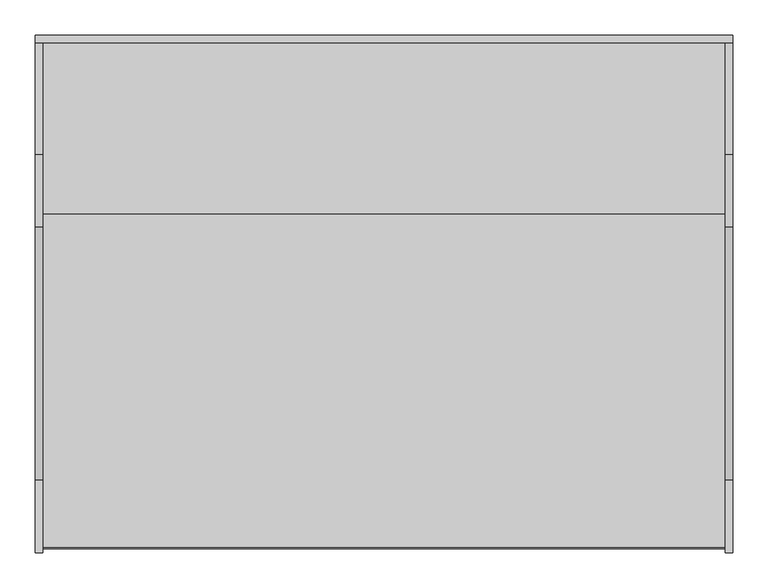
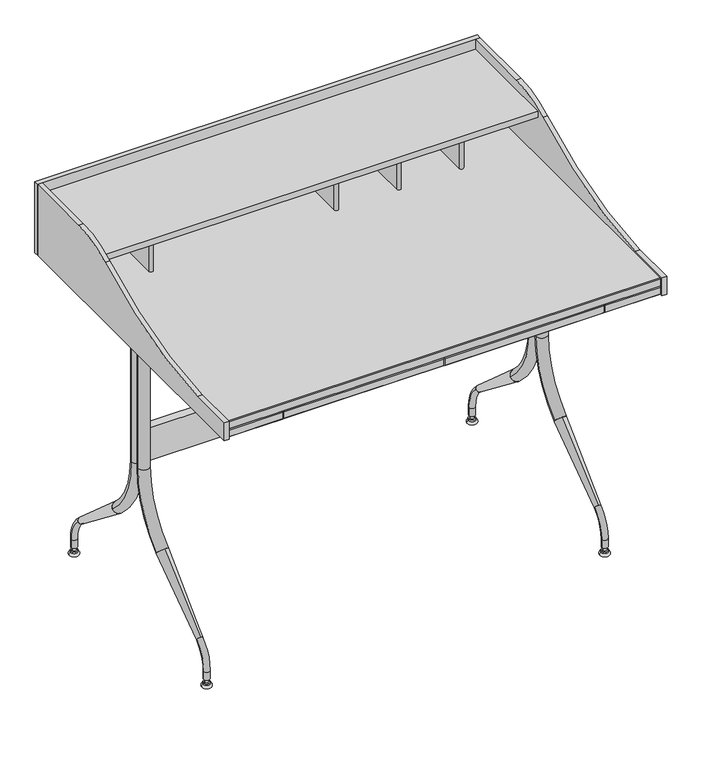
"""IFC4 building model written with IfcOpenShell, lengths in millimetres: furniture geometry."""

from ifc_helpers import new_model, si_unit, point, frame, frame_2d, origin, place, context, project, spatial, polyline, circle_curve, ellipse_curve, trimmed, segment, composite_curve, outline, extrude, source, transform, mapped, element, save
from ifc_brep_helpers import plane_surface, cylinder_surface, revolved_surface, advanced_brep


def furniture_873749e8(model_context):
    return source(origin(), model_context, "Body", "SolidModel", [
        extrude(outline(polyline([(-494.0424823, 311.3259461), (-494.0424823, 322.1209268), (494.0429183, 322.1209268), (494.0429183, 311.3259461), (-494.0424823, 311.3259461)])), frame((0.0, 0.0, 689.6100145), z_axis=(0.0, 0.0, 1.0), x_axis=(1.0, 0.0, 0.0)), (0.0, 0.0, 1.0), 167.6399855),
        extrude(outline(polyline([(-405.2715563, 707.0724661), (-403.6840805, 708.6600145), (-370.3338674, 708.6600145), (-370.3338674, 689.6100145), (-403.6840805, 689.6100145), (-405.2715563, 691.1974903), (-405.2715563, 707.0724661)])), frame((360.3627422, 0.0, 0.0), z_axis=(1.0, 0.0, 0.0), x_axis=(0.0, 1.0, 0.0)), (0.0, 0.0, 1.0), 123.139177),
        extrude(outline(polyline([(-403.6840805, 708.6600145), (-370.3338674, 708.6600145), (-370.3338674, 689.6100145), (-403.6840805, 689.6100145), (-405.2715563, 691.1974903), (-405.2715563, 707.0724661), (-403.6840805, 708.6600145)])), frame((-483.5014832, 0.0, 0.0), z_axis=(1.0, 0.0, 0.0), x_axis=(0.0, 1.0, 0.0)), (0.0, 0.0, 1.0), 123.1392134),
        extrude(outline(polyline([(-405.2715563, 707.0724661), (-403.6840805, 708.6600145), (-370.3338674, 708.6600145), (-370.3338674, 689.6100145), (-403.6840805, 689.6100145), (-405.2715563, 691.1974903), (-405.2715563, 707.0724661)])), frame((-357.1872754, 0.0, 0.0), z_axis=(1.0, 0.0, 0.0), x_axis=(0.0, 1.0, 0.0)), (0.0, 0.0, 1.0), 355.6),
        extrude(outline(polyline([(-405.2715563, 707.0724661), (-403.6840805, 708.6600145), (-370.3338674, 708.6600145), (-370.3338674, 689.6100145), (-403.6840805, 689.6100145), (-405.2715563, 691.1974903), (-405.2715563, 707.0724661)])), frame((1.5877246, 0.0, 0.0), z_axis=(1.0, 0.0, 0.0), x_axis=(0.0, 1.0, 0.0)), (0.0, 0.0, 1.0), 355.5999934),
        extrude(outline(polyline([(-403.6840805, 727.7100145), (311.3259461, 727.7100145), (311.3259461, 708.6600145), (-403.6840805, 708.6600145), (-405.2715563, 710.2474903), (-405.2715563, 726.1224661), (-403.6840805, 727.7100145)])), frame((-483.5014832, 0.0, 0.0), z_axis=(1.0, 0.0, 0.0), x_axis=(0.0, 1.0, 0.0)), (0.0, 0.0, 1.0), 967.0034025),
        extrude(outline(composite_curve([segment(polyline([(-353.1740822, 311.3259461), (-353.1740822, 109.3197353)]), True, "CONTINUOUS"), segment(trimmed(circle_curve(frame_2d((-357.9365822, 109.3197353)), 4.7625), [point((-353.1740822, 109.3197353))], [point((-362.6990822, 109.3197353))], False, "CARTESIAN"), True, "CONTINUOUS"), segment(polyline([(-362.6990822, 109.3197353), (-362.6990822, 311.3259461), (-353.1740822, 311.3259461)]), True, "CONTINUOUS")], self_intersect=False)), frame((0.0, 0.0, 727.7100145), z_axis=(0.0, 0.0, 1.0), x_axis=(1.0, 0.0, 0.0)), (0.0, 0.0, 1.0), 92.0749758),
        extrude(outline(composite_curve([segment(polyline([(51.3209227, 109.3197353), (51.3209227, 311.3259461), (60.8459227, 311.3259461), (60.8459227, 109.3197353)]), True, "CONTINUOUS"), segment(trimmed(circle_curve(frame_2d((56.0834227, 109.3197353)), 4.7625), [point((60.8459227, 109.3197353))], [point((51.3209227, 109.3197353))], False, "CARTESIAN"), True, "CONTINUOUS")], self_intersect=False)), frame((0.0, 0.0, 727.7100145), z_axis=(0.0, 0.0, 1.0), x_axis=(1.0, 0.0, 0.0)), (0.0, 0.0, 1.0), 92.0749758),
        extrude(outline(composite_curve([segment(polyline([(191.0209166, 311.3259461), (200.5459166, 311.3259461), (200.5459166, 109.3197353)]), True, "CONTINUOUS"), segment(trimmed(circle_curve(frame_2d((195.7834166, 109.3197353)), 4.7625), [point((200.5459166, 109.3197353))], [point((191.0209166, 109.3197353))], False, "CARTESIAN"), True, "CONTINUOUS"), segment(polyline([(191.0209166, 109.3197353), (191.0209166, 311.3259461)]), True, "CONTINUOUS")], self_intersect=False)), frame((0.0, 0.0, 727.7100145), z_axis=(0.0, 0.0, 1.0), x_axis=(1.0, 0.0, 0.0)), (0.0, 0.0, 1.0), 92.0749758),
        extrude(outline(composite_curve([segment(polyline([(340.2459105, 311.3259461), (340.2459105, 109.3197353)]), True, "CONTINUOUS"), segment(trimmed(circle_curve(frame_2d((335.4834105, 109.3197353)), 4.7625), [point((340.2459105, 109.3197353))], [point((330.7209105, 109.3197353))], False, "CARTESIAN"), True, "CONTINUOUS"), segment(polyline([(330.7209105, 109.3197353), (330.7209105, 311.3259461), (340.2459105, 311.3259461)]), True, "CONTINUOUS")], self_intersect=False)), frame((0.0, 0.0, 727.7100145), z_axis=(0.0, 0.0, 1.0), x_axis=(1.0, 0.0, 0.0)), (0.0, 0.0, 1.0), 92.0749758),
        extrude(outline(polyline([(483.5019193, 69.5179315), (-483.5014832, 69.5179315), (-483.5014832, 311.3259461), (483.5019193, 311.3259461), (483.5019193, 69.5179315)])), frame((0.0, 0.0, 819.7849903), z_axis=(0.0, 0.0, 1.0), x_axis=(1.0, 0.0, 0.0)), (0.0, 0.0, 1.0), 14.2239864),
        extrude(outline(composite_curve([segment(polyline([(152.575934, 857.25), (311.3259461, 857.25), (311.3259461, 689.6100145), (-410.6690829, 689.6100145), (-410.6690829, 732.6121862), (-307.4180815, 732.6121862)]), True, "CONTINUOUS"), segment(trimmed(circle_curve(frame_2d((-338.6674758, 1545.2726089)), 813.2610203), [point((-307.4180815, 732.6121862))], [point((50.6941032, 831.2760767))], True, "CARTESIAN"), True, "CONTINUOUS"), segment(trimmed(circle_curve(frame_2d((152.575934, 644.44903)), 212.80097), [point((50.6941032, 831.2760767))], [point((152.575934, 857.25))], False, "CARTESIAN"), True, "CONTINUOUS")], self_intersect=False)), frame((483.5019193, 0.0, 0.0), z_axis=(1.0, 0.0, 0.0), x_axis=(0.0, 1.0, 0.0)), (0.0, 0.0, 1.0), 10.540999),
        extrude(outline(composite_curve([segment(polyline([(152.575934, 857.25), (311.3259461, 857.25), (311.3259461, 689.6100145), (-410.6690829, 689.6100145), (-410.6690829, 732.6121862), (-307.4180815, 732.6121862)]), True, "CONTINUOUS"), segment(trimmed(circle_curve(frame_2d((-338.6674758, 1545.2726089)), 813.2610203), [point((-307.4180815, 732.6121862))], [point((50.6941032, 831.2760767))], True, "CARTESIAN"), True, "CONTINUOUS"), segment(trimmed(circle_curve(frame_2d((152.575934, 644.44903)), 212.80097), [point((50.6941032, 831.2760767))], [point((152.575934, 857.25))], False, "CARTESIAN"), True, "CONTINUOUS")], self_intersect=False)), frame((-494.0424823, 0.0, 0.0), z_axis=(1.0, 0.0, 0.0), x_axis=(0.0, 1.0, 0.0)), (0.0, 0.0, 1.0), 10.540999),
        advanced_brep(
        [(431.8, 12.7001355, 703.2751688), (457.2, 12.7001355, 703.2751688), (431.8, 12.7001355, 370.890806), (457.2, 12.7001355, 370.890806), (431.8, 85.2856918, 215.2305762), (457.2, 85.2856918, 215.2305762)],
        [
            (0, 1, circle_curve(frame((444.5, 12.7001355, 703.2751688), z_axis=(0.0, 0.0, 1.0), x_axis=(1.0, 0.0, 0.0)), 12.7)),
            (1, 0, circle_curve(frame((444.5, 12.7001355, 703.2751688), z_axis=(0.0, 0.0, 1.0), x_axis=(1.0, 0.0, 0.0)), 12.7)),
            (0, 2),
            (2, 3, circle_curve(frame((444.5, 12.7001355, 370.890806), z_axis=(0.0, 0.0, 1.0), x_axis=(1.0, 0.0, 0.0)), 12.7)),
            (3, 1),
            (3, 2, circle_curve(frame((444.5, 12.7001355, 370.890806), z_axis=(0.0, 0.0, 1.0), x_axis=(1.0, 0.0, 0.0)), 12.7)),
            (4, 5, circle_curve(frame((444.5, 85.2856918, 215.2305762), z_axis=(0.0, 0.7660444368154214, -0.6427876171988255), x_axis=(1.0, 0.0, 0.0)), 12.7)),
            (5, 4, circle_curve(frame((444.5, 85.2856918, 215.2305762), z_axis=(0.0, 0.7660444368154214, -0.6427876171988255), x_axis=(1.0, 0.0, 0.0)), 12.7)),
            (5, 3, circle_curve(frame((457.2, 215.9001358, 370.890806), z_axis=(-1.0, 0.0, 0.0), x_axis=(0.0, -1.0, 0.0)), 203.2000003)),
            (2, 4, circle_curve(frame((431.8, 215.9001358, 370.890806), z_axis=(1.0, 0.0, 0.0), x_axis=(0.0, -1.0, 0.0)), 203.2000003)),
        ],
        [
            plane_surface(frame((444.5, 12.7001355, 703.2751688), z_axis=(0.0, 0.0, 1.0), x_axis=(1.0, 0.0, 0.0))),
            cylinder_surface(frame((444.5, 12.7001355, 703.2751688), z_axis=(0.0, 0.0, 1.0), x_axis=(1.0, 0.0, 0.0)), 12.7),
            plane_surface(frame((444.5, 85.2856918, 215.2305762), z_axis=(0.0, 0.7660444368154214, -0.6427876171988255), x_axis=(1.0, 0.0, 0.0))),
            revolved_surface(trimmed(ellipse_curve(frame((444.5, 12.7001355, 370.890806), z_axis=(0.0, 0.0, 1.0), x_axis=(1.0, 0.0, 0.0)), 12.7, 12.7), [point((431.8, 12.7001355, 370.890806))], [point((457.2, 12.7001355, 370.890806))], True, "CARTESIAN"), (444.5, 215.9001358, 370.890806), (1.0, 0.0, 0.0)),
            revolved_surface(trimmed(ellipse_curve(frame((444.5, 12.7001355, 370.890806), z_axis=(0.0, 0.0, 1.0), x_axis=(1.0, 0.0, 0.0)), 12.7, 12.7), [point((457.2, 12.7001355, 370.890806))], [point((431.8, 12.7001355, 370.890806))], True, "CARTESIAN"), (444.5, 215.9001358, 370.890806), (1.0, 0.0, 0.0)),
        ],
        [
            (0, [[1, 2]]),
            (1, [[-1, 3, 4, 5]]),
            (1, [[-2, -5, 6, -3]]),
            (2, [[7, 8]]),
            (3, [[9, -4, 10, -8]]),
            (4, [[-10, -6, -9, -7]]),
        ],
    ),
        advanced_brep(
        [(437.769, 229.3205592, 96.0153875), (451.231, 229.3205592, 96.0153875), (451.231, 256.5401369, 37.6427991), (437.769, 256.5401369, 37.6427991), (437.769, 256.5401369, 18.5928002), (451.231, 256.5401369, 18.5928002)],
        [
            (0, 1, circle_curve(frame((444.5, 229.3205592, 96.0153875), z_axis=(0.0, -0.7660443098202268, 0.6427877685457716), x_axis=(1.0, 0.0, 0.0)), 6.731)),
            (1, 0, circle_curve(frame((444.5, 229.3205592, 96.0153875), z_axis=(0.0, -0.7660443098202268, 0.6427877685457716), x_axis=(1.0, 0.0, 0.0)), 6.731)),
            (2, 1, circle_curve(frame((451.231, 180.3401212, 37.6427991), z_axis=(1.0, 0.0, 0.0), x_axis=(0.0, 0.6427877685457716, 0.7660443098202268)), 76.2000157)),
            (0, 3, circle_curve(frame((437.769, 180.3401212, 37.6427991), z_axis=(-1.0, 0.0, 0.0), x_axis=(0.0, 0.6427877685457716, 0.7660443098202268)), 76.2000157)),
            (3, 2, circle_curve(frame((444.5, 256.5401369, 37.6427991), z_axis=(0.0, 0.0, 1.0), x_axis=(1.0, 0.0, 0.0)), 6.731)),
            (2, 3, circle_curve(frame((444.5, 256.5401369, 37.6427991), z_axis=(0.0, 0.0, 1.0), x_axis=(1.0, 0.0, 0.0)), 6.731)),
            (4, 5, circle_curve(frame((444.5, 256.5401369, 18.5928002), z_axis=(0.0, 0.0, -1.0), x_axis=(1.0, 0.0, 0.0)), 6.731)),
            (5, 4, circle_curve(frame((444.5, 256.5401369, 18.5928002), z_axis=(0.0, 0.0, -1.0), x_axis=(1.0, 0.0, 0.0)), 6.731)),
            (3, 4),
            (5, 2),
        ],
        [
            plane_surface(frame((444.5, 229.3205592, 96.0153875), z_axis=(0.0, -0.7660443098202268, 0.6427877685457716), x_axis=(1.0, 0.0, 0.0))),
            revolved_surface(trimmed(ellipse_curve(frame((444.5, 229.3205592, 96.0153875), z_axis=(0.0, -0.7660443098202268, 0.6427877685457716), x_axis=(1.0, 0.0, 0.0)), 6.731, 6.731), [point((437.769, 229.3205592, 96.0153875))], [point((451.231, 229.3205592, 96.0153875))], True, "CARTESIAN"), (444.5, 180.3401212, 37.6427991), (-1.0, 0.0, 0.0)),
            revolved_surface(trimmed(ellipse_curve(frame((444.5, 229.3205592, 96.0153875), z_axis=(0.0, -0.7660443098202268, 0.6427877685457716), x_axis=(1.0, 0.0, 0.0)), 6.731, 6.731), [point((451.231, 229.3205592, 96.0153875))], [point((437.769, 229.3205592, 96.0153875))], True, "CARTESIAN"), (444.5, 180.3401212, 37.6427991), (-1.0, 0.0, 0.0)),
            plane_surface(frame((444.5, 256.5401369, 18.5928002), z_axis=(0.0, 0.0, -1.0), x_axis=(1.0, 0.0, 0.0))),
            cylinder_surface(frame((444.5, 256.5401369, 37.6427991), z_axis=(0.0, 0.0, 1.0), x_axis=(1.0, 0.0, 0.0)), 6.731),
        ],
        [
            (0, [[1, 2]]),
            (1, [[3, -1, 4, 5]]),
            (2, [[-4, -2, -3, 6]]),
            (3, [[7, 8]]),
            (4, [[-5, 9, -8, 10]]),
            (4, [[-6, -10, -7, -9]]),
        ],
    ),
        advanced_brep(
        [(444.5, 225.0288034, 90.8301214), (444.5, 233.612315, 101.2006536), (444.5, 77.1880284, 205.4470421), (444.5, 93.3833552, 225.0141104)],
        [
            (0, 1, circle_curve(frame((444.5, 229.3205592, 96.0153875), z_axis=(0.0, 0.7703577539789042, -0.6376118967558388), x_axis=(0.0, -0.6376118967558415, -0.7703577539789019)), 6.7309845)),
            (1, 0, circle_curve(frame((444.5, 229.3205592, 96.0153875), z_axis=(0.0, 0.7703577539789042, -0.6376118967558388), x_axis=(0.0, 0.637611896755836, 0.7703577539789064)), 6.7309845)),
            (2, 3, circle_curve(frame((444.5, 85.2856918, 215.2305762), z_axis=(0.0, -0.7703577539789042, 0.6376118967558388), x_axis=(0.0, 0.637611896755836, 0.7703577539789064)), 12.6999879)),
            (3, 2, circle_curve(frame((444.5, 85.2856918, 215.2305762), z_axis=(0.0, -0.7703577539789042, 0.6376118967558388), x_axis=(0.0, -0.6376118967558415, -0.7703577539789019)), 12.6999879)),
            (3, 1),
            (0, 2),
        ],
        [
            plane_surface(frame((444.5, 229.3205592, 96.0153875), z_axis=(0.0, 0.770357753978904, -0.6376118967558388), x_axis=(-1.0, 0.0, 0.0))),
            plane_surface(frame((444.5, 85.2856918, 215.2305762), z_axis=(0.0, -0.770357753978904, 0.6376118967558388), x_axis=(-1.0, 0.0, 0.0))),
            revolved_surface(polyline([(444.5, 225.02880342247573, 90.83012140987435), (444.5, 77.18802840000001, 205.4470421)]), (444.5, 391.7423902, -38.4183755), (0.0, -0.7703577539789039, 0.6376118967558387)),
            revolved_surface(polyline([(444.5, 233.61231502496688, 101.2006536301648), (444.5, 93.38335516558368, 225.0141104303875)]), (444.5, 391.7423902, -38.4183755), (0.0, -0.7703577539789039, 0.6376118967558387)),
        ],
        [
            (0, [[1, 2]]),
            (1, [[3, 4]]),
            (2, [[-4, 5, -1, 6]]),
            (3, [[-3, -6, -2, -5]]),
        ],
    ),
        advanced_brep(
        [(431.8, -12.7001355, 703.2751688), (457.2, -12.7001355, 703.2751688), (457.2, -12.7001355, 370.890806), (431.8, -12.7001355, 370.890806), (431.8, -85.2856918, 215.2305762), (457.2, -85.2856918, 215.2305762)],
        [
            (0, 1, circle_curve(frame((444.5, -12.7001355, 703.2751688), z_axis=(0.0, 0.0, 1.0), x_axis=(1.0, 0.0, 0.0)), 12.7)),
            (1, 0, circle_curve(frame((444.5, -12.7001355, 703.2751688), z_axis=(0.0, 0.0, 1.0), x_axis=(1.0, 0.0, 0.0)), 12.7)),
            (1, 2),
            (2, 3, circle_curve(frame((444.5, -12.7001355, 370.890806), z_axis=(0.0, 0.0, 1.0), x_axis=(1.0, 0.0, 0.0)), 12.7)),
            (3, 0),
            (3, 2, circle_curve(frame((444.5, -12.7001355, 370.890806), z_axis=(0.0, 0.0, 1.0), x_axis=(1.0, 0.0, 0.0)), 12.7)),
            (4, 5, circle_curve(frame((444.5, -85.2856918, 215.2305762), z_axis=(0.0, -0.7660444368154214, -0.6427876171988256), x_axis=(1.0, 0.0, 0.0)), 12.7)),
            (5, 4, circle_curve(frame((444.5, -85.2856918, 215.2305762), z_axis=(0.0, -0.7660444368154214, -0.6427876171988256), x_axis=(1.0, 0.0, 0.0)), 12.7)),
            (4, 3, circle_curve(frame((431.8, -215.9001358, 370.890806), z_axis=(1.0, 0.0, 0.0), x_axis=(0.0, 1.0, 0.0)), 203.2000003)),
            (2, 5, circle_curve(frame((457.2, -215.9001358, 370.890806), z_axis=(-1.0, 0.0, 0.0), x_axis=(0.0, 1.0, 0.0)), 203.2000003)),
        ],
        [
            plane_surface(frame((444.5, -12.7001355, 703.2751688), z_axis=(0.0, 0.0, 1.0), x_axis=(1.0, 0.0, 0.0))),
            cylinder_surface(frame((444.5, -12.7001355, 703.2751688), z_axis=(0.0, 0.0, 1.0), x_axis=(1.0, 0.0, 0.0)), 12.7),
            plane_surface(frame((444.5, -85.2856918, 215.2305762), z_axis=(0.0, -0.7660444368154213, -0.6427876171988256), x_axis=(1.0, 0.0, 0.0))),
            revolved_surface(trimmed(ellipse_curve(frame((444.5, -12.7001355, 370.890806), z_axis=(0.0, 0.0, 1.0), x_axis=(1.0, 0.0, 0.0)), 12.7, 12.7), [point((457.2, -12.7001355, 370.890806))], [point((431.8, -12.7001355, 370.890806))], True, "CARTESIAN"), (444.5, -215.9001358, 370.890806), (-1.0, 0.0, 0.0)),
            revolved_surface(trimmed(ellipse_curve(frame((444.5, -12.7001355, 370.890806), z_axis=(0.0, 0.0, 1.0), x_axis=(1.0, 0.0, 0.0)), 12.7, 12.7), [point((431.8, -12.7001355, 370.890806))], [point((457.2, -12.7001355, 370.890806))], True, "CARTESIAN"), (444.5, -215.9001358, 370.890806), (-1.0, 0.0, 0.0)),
        ],
        [
            (0, [[1, 2]]),
            (1, [[-2, 3, 4, 5]]),
            (1, [[-1, -5, 6, -3]]),
            (2, [[7, 8]]),
            (3, [[9, -4, 10, -7]]),
            (4, [[-10, -6, -9, -8]]),
        ],
    ),
        advanced_brep(
        [(437.769, -229.3205592, 96.0153875), (451.231, -229.3205592, 96.0153875), (437.769, -256.5401369, 37.6427991), (451.231, -256.5401369, 37.6427991), (437.769, -256.5401369, 18.5928002), (451.231, -256.5401369, 18.5928002)],
        [
            (0, 1, circle_curve(frame((444.5, -229.3205592, 96.0153875), z_axis=(0.0, 0.7660443098202309, 0.6427877685457667), x_axis=(1.0, 0.0, 0.0)), 6.731)),
            (1, 0, circle_curve(frame((444.5, -229.3205592, 96.0153875), z_axis=(0.0, 0.7660443098202309, 0.6427877685457667), x_axis=(1.0, 0.0, 0.0)), 6.731)),
            (2, 0, circle_curve(frame((437.769, -180.3401212, 37.6427991), z_axis=(-1.0, 0.0, 0.0), x_axis=(0.0, -0.6427877685457667, 0.7660443098202309)), 76.2000157)),
            (1, 3, circle_curve(frame((451.231, -180.3401212, 37.6427991), z_axis=(1.0, 0.0, 0.0), x_axis=(0.0, -0.6427877685457667, 0.7660443098202309)), 76.2000157)),
            (3, 2, circle_curve(frame((444.5, -256.5401369, 37.6427991), z_axis=(0.0, 0.0, 1.0), x_axis=(1.0, 0.0, 0.0)), 6.731)),
            (2, 3, circle_curve(frame((444.5, -256.5401369, 37.6427991), z_axis=(0.0, 0.0, 1.0), x_axis=(1.0, 0.0, 0.0)), 6.731)),
            (4, 5, circle_curve(frame((444.5, -256.5401369, 18.5928002), z_axis=(0.0, 0.0, -1.0), x_axis=(1.0, 0.0, 0.0)), 6.731)),
            (5, 4, circle_curve(frame((444.5, -256.5401369, 18.5928002), z_axis=(0.0, 0.0, -1.0), x_axis=(1.0, 0.0, 0.0)), 6.731)),
            (3, 5),
            (4, 2),
        ],
        [
            plane_surface(frame((444.5, -229.3205592, 96.0153875), z_axis=(0.0, 0.7660443098202309, 0.6427877685457667), x_axis=(1.0, 0.0, 0.0))),
            revolved_surface(trimmed(ellipse_curve(frame((444.5, -229.3205592, 96.0153875), z_axis=(0.0, 0.7660443098202309, 0.6427877685457667), x_axis=(1.0, 0.0, 0.0)), 6.731, 6.731), [point((451.231, -229.3205592, 96.0153875))], [point((437.769, -229.3205592, 96.0153875))], True, "CARTESIAN"), (444.5, -180.3401212, 37.6427991), (1.0, 0.0, 0.0)),
            revolved_surface(trimmed(ellipse_curve(frame((444.5, -229.3205592, 96.0153875), z_axis=(0.0, 0.7660443098202309, 0.6427877685457667), x_axis=(1.0, 0.0, 0.0)), 6.731, 6.731), [point((437.769, -229.3205592, 96.0153875))], [point((451.231, -229.3205592, 96.0153875))], True, "CARTESIAN"), (444.5, -180.3401212, 37.6427991), (1.0, 0.0, 0.0)),
            plane_surface(frame((444.5, -256.5401369, 18.5928002), z_axis=(0.0, 0.0, -1.0), x_axis=(1.0, 0.0, 0.0))),
            cylinder_surface(frame((444.5, -256.5401369, 37.6427991), z_axis=(0.0, 0.0, 1.0), x_axis=(1.0, 0.0, 0.0)), 6.731),
        ],
        [
            (0, [[1, 2]]),
            (1, [[3, -2, 4, 5]]),
            (2, [[-4, -1, -3, 6]]),
            (3, [[7, 8]]),
            (4, [[-5, 9, -7, 10]]),
            (4, [[-6, -10, -8, -9]]),
        ],
    ),
        advanced_brep(
        [(444.5, -233.612315, 101.2006536), (444.5, -225.0288034, 90.8301214), (444.5, -93.3833552, 225.0141104), (444.5, -77.1880284, 205.4470421)],
        [
            (0, 1, circle_curve(frame((444.5, -229.3205592, 96.0153875), z_axis=(0.0, -0.770357753978904, -0.6376118967558387), x_axis=(0.0, -0.637611896755836, 0.7703577539789064)), 6.7309845)),
            (1, 0, circle_curve(frame((444.5, -229.3205592, 96.0153875), z_axis=(0.0, -0.770357753978904, -0.6376118967558387), x_axis=(0.0, 0.6376118967558339, -0.770357753978908)), 6.7309845)),
            (2, 3, circle_curve(frame((444.5, -85.2856918, 215.2305762), z_axis=(0.0, 0.770357753978904, 0.6376118967558387), x_axis=(0.0, 0.6376118967558339, -0.770357753978908)), 12.6999879)),
            (3, 2, circle_curve(frame((444.5, -85.2856918, 215.2305762), z_axis=(0.0, 0.770357753978904, 0.6376118967558387), x_axis=(0.0, -0.637611896755836, 0.7703577539789064)), 12.6999879)),
            (2, 0),
            (1, 3),
        ],
        [
            plane_surface(frame((444.5, -229.3205592, 96.0153875), z_axis=(0.0, -0.770357753978904, -0.6376118967558387), x_axis=(-1.0, 0.0, 0.0))),
            plane_surface(frame((444.5, -85.2856918, 215.2305762), z_axis=(0.0, 0.770357753978904, 0.6376118967558387), x_axis=(-1.0, 0.0, 0.0))),
            revolved_surface(polyline([(444.5, -225.02880342247573, 90.83012140987435), (444.5, -77.18802840000001, 205.4470421)]), (444.5, -391.7423902, -38.4183755), (0.0, 0.770357753978904, 0.6376118967558387)),
            revolved_surface(polyline([(444.5, -233.61231502496685, 101.20065363016482), (444.5, -93.38335516558362, 225.01411043038755)]), (444.5, -391.7423902, -38.4183755), (0.0, 0.770357753978904, 0.6376118967558387)),
        ],
        [
            (0, [[1, 2]]),
            (1, [[3, 4]]),
            (2, [[-3, 5, -2, 6]]),
            (3, [[-4, -6, -1, -5]]),
        ],
    ),
        advanced_brep(
        [(-457.2, 12.7001355, 703.2751688), (-431.8, 12.7001355, 703.2751688), (-431.8, 12.7001355, 370.890806), (-457.2, 12.7001355, 370.890806), (-457.2, 85.2856918, 215.2305762), (-431.8, 85.2856918, 215.2305762)],
        [
            (0, 1, circle_curve(frame((-444.5, 12.7001355, 703.2751688), z_axis=(0.0, 0.0, 1.0), x_axis=(1.0, 0.0, 0.0)), 12.7)),
            (1, 0, circle_curve(frame((-444.5, 12.7001355, 703.2751688), z_axis=(0.0, 0.0, 1.0), x_axis=(1.0, 0.0, 0.0)), 12.7)),
            (1, 2),
            (2, 3, circle_curve(frame((-444.5, 12.7001355, 370.890806), z_axis=(0.0, 0.0, 1.0), x_axis=(1.0, 0.0, 0.0)), 12.7)),
            (3, 0),
            (3, 2, circle_curve(frame((-444.5, 12.7001355, 370.890806), z_axis=(0.0, 0.0, 1.0), x_axis=(1.0, 0.0, 0.0)), 12.7)),
            (4, 5, circle_curve(frame((-444.5, 85.2856918, 215.2305762), z_axis=(0.0, 0.7660444368154213, -0.6427876171988256), x_axis=(1.0, 0.0, 0.0)), 12.7)),
            (5, 4, circle_curve(frame((-444.5, 85.2856918, 215.2305762), z_axis=(0.0, 0.7660444368154213, -0.6427876171988256), x_axis=(1.0, 0.0, 0.0)), 12.7)),
            (4, 3, circle_curve(frame((-457.2, 215.9001358, 370.890806), z_axis=(-1.0, 0.0, 0.0), x_axis=(0.0, -1.0, 0.0)), 203.2000003)),
            (2, 5, circle_curve(frame((-431.8, 215.9001358, 370.890806), z_axis=(1.0, 0.0, 0.0), x_axis=(0.0, -1.0, 0.0)), 203.2000003)),
        ],
        [
            plane_surface(frame((-444.5, 12.7001355, 703.2751688), z_axis=(0.0, 0.0, 1.0), x_axis=(1.0, 0.0, 0.0))),
            cylinder_surface(frame((-444.5, 12.7001355, 703.2751688), z_axis=(0.0, 0.0, 1.0), x_axis=(1.0, 0.0, 0.0)), 12.7),
            plane_surface(frame((-444.5, 85.2856918, 215.2305762), z_axis=(0.0, 0.7660444368154212, -0.6427876171988258), x_axis=(1.0, 0.0, 0.0))),
            revolved_surface(trimmed(ellipse_curve(frame((-444.5, 12.7001355, 370.890806), z_axis=(0.0, 0.0, 1.0), x_axis=(1.0, 0.0, 0.0)), 12.7, 12.7), [point((-431.8, 12.7001355, 370.890806))], [point((-457.2, 12.7001355, 370.890806))], True, "CARTESIAN"), (-444.5, 215.9001358, 370.890806), (1.0, 0.0, 0.0)),
            revolved_surface(trimmed(ellipse_curve(frame((-444.5, 12.7001355, 370.890806), z_axis=(0.0, 0.0, 1.0), x_axis=(1.0, 0.0, 0.0)), 12.7, 12.7), [point((-457.2, 12.7001355, 370.890806))], [point((-431.8, 12.7001355, 370.890806))], True, "CARTESIAN"), (-444.5, 215.9001358, 370.890806), (1.0, 0.0, 0.0)),
        ],
        [
            (0, [[1, 2]]),
            (1, [[-2, 3, 4, 5]]),
            (1, [[-1, -5, 6, -3]]),
            (2, [[7, 8]]),
            (3, [[9, -4, 10, -7]]),
            (4, [[-10, -6, -9, -8]]),
        ],
    ),
        advanced_brep(
        [(-451.231, 229.3205592, 96.0153875), (-437.769, 229.3205592, 96.0153875), (-451.231, 256.5401369, 37.6427991), (-437.769, 256.5401369, 37.6427991), (-451.231, 256.5401369, 18.5928002), (-437.769, 256.5401369, 18.5928002)],
        [
            (0, 1, circle_curve(frame((-444.5, 229.3205592, 96.0153875), z_axis=(0.0, -0.7660443098202308, 0.6427877685457668), x_axis=(1.0, 0.0, 0.0)), 6.731)),
            (1, 0, circle_curve(frame((-444.5, 229.3205592, 96.0153875), z_axis=(0.0, -0.7660443098202308, 0.6427877685457668), x_axis=(1.0, 0.0, 0.0)), 6.731)),
            (2, 0, circle_curve(frame((-451.231, 180.3401212, 37.6427991), z_axis=(1.0, 0.0, 0.0), x_axis=(0.0, 0.6427877685457668, 0.7660443098202308)), 76.2000157)),
            (1, 3, circle_curve(frame((-437.769, 180.3401212, 37.6427991), z_axis=(-1.0, 0.0, 0.0), x_axis=(0.0, 0.6427877685457668, 0.7660443098202308)), 76.2000157)),
            (3, 2, circle_curve(frame((-444.5, 256.5401369, 37.6427991), z_axis=(0.0, 0.0, 1.0), x_axis=(1.0, 0.0, 0.0)), 6.731)),
            (2, 3, circle_curve(frame((-444.5, 256.5401369, 37.6427991), z_axis=(0.0, 0.0, 1.0), x_axis=(1.0, 0.0, 0.0)), 6.731)),
            (4, 5, circle_curve(frame((-444.5, 256.5401369, 18.5928002), z_axis=(0.0, 0.0, -1.0), x_axis=(1.0, 0.0, 0.0)), 6.731)),
            (5, 4, circle_curve(frame((-444.5, 256.5401369, 18.5928002), z_axis=(0.0, 0.0, -1.0), x_axis=(1.0, 0.0, 0.0)), 6.731)),
            (3, 5),
            (4, 2),
        ],
        [
            plane_surface(frame((-444.5, 229.3205592, 96.0153875), z_axis=(0.0, -0.7660443098202308, 0.6427877685457668), x_axis=(1.0, 0.0, 0.0))),
            revolved_surface(trimmed(ellipse_curve(frame((-444.5, 229.3205592, 96.0153875), z_axis=(0.0, -0.7660443098202308, 0.6427877685457668), x_axis=(1.0, 0.0, 0.0)), 6.731, 6.731), [point((-437.769, 229.3205592, 96.0153875))], [point((-451.231, 229.3205592, 96.0153875))], True, "CARTESIAN"), (-444.5, 180.3401212, 37.6427991), (-1.0, 0.0, 0.0)),
            revolved_surface(trimmed(ellipse_curve(frame((-444.5, 229.3205592, 96.0153875), z_axis=(0.0, -0.7660443098202308, 0.6427877685457668), x_axis=(1.0, 0.0, 0.0)), 6.731, 6.731), [point((-451.231, 229.3205592, 96.0153875))], [point((-437.769, 229.3205592, 96.0153875))], True, "CARTESIAN"), (-444.5, 180.3401212, 37.6427991), (-1.0, 0.0, 0.0)),
            plane_surface(frame((-444.5, 256.5401369, 18.5928002), z_axis=(0.0, 0.0, -1.0), x_axis=(1.0, 0.0, 0.0))),
            cylinder_surface(frame((-444.5, 256.5401369, 37.6427991), z_axis=(0.0, 0.0, 1.0), x_axis=(1.0, 0.0, 0.0)), 6.731),
        ],
        [
            (0, [[1, 2]]),
            (1, [[3, -2, 4, 5]]),
            (2, [[-4, -1, -3, 6]]),
            (3, [[7, 8]]),
            (4, [[-5, 9, -7, 10]]),
            (4, [[-6, -10, -8, -9]]),
        ],
    ),
        advanced_brep(
        [(-444.5, 225.0288034, 90.8301214), (-444.5, 233.612315, 101.2006536), (-444.5, 77.1880284, 205.4470421), (-444.5, 93.3833552, 225.0141104)],
        [
            (0, 1, circle_curve(frame((-444.5, 229.3205592, 96.0153875), z_axis=(0.0, 0.7703577539789042, -0.6376118967558388), x_axis=(0.0, -0.6376118967558415, -0.7703577539789019)), 6.7309845)),
            (1, 0, circle_curve(frame((-444.5, 229.3205592, 96.0153875), z_axis=(0.0, 0.7703577539789042, -0.6376118967558388), x_axis=(0.0, 0.6376118967558355, 0.7703577539789066)), 6.7309845)),
            (2, 3, circle_curve(frame((-444.5, 85.2856918, 215.2305762), z_axis=(0.0, -0.7703577539789042, 0.6376118967558388), x_axis=(0.0, 0.6376118967558355, 0.7703577539789066)), 12.6999879)),
            (3, 2, circle_curve(frame((-444.5, 85.2856918, 215.2305762), z_axis=(0.0, -0.7703577539789042, 0.6376118967558388), x_axis=(0.0, -0.6376118967558415, -0.7703577539789019)), 12.6999879)),
            (2, 0),
            (1, 3),
        ],
        [
            plane_surface(frame((-444.5, 229.3205592, 96.0153875), z_axis=(0.0, 0.770357753978904, -0.6376118967558388), x_axis=(-1.0, 0.0, 0.0))),
            plane_surface(frame((-444.5, 85.2856918, 215.2305762), z_axis=(0.0, -0.770357753978904, 0.6376118967558388), x_axis=(-1.0, 0.0, 0.0))),
            revolved_surface(polyline([(-444.5, 233.61231502496688, 101.2006536301648), (-444.5, 93.38335516558368, 225.0141104303875)]), (-444.5, 391.7423902, -38.4183755), (0.0, -0.7703577539789039, 0.6376118967558387)),
            revolved_surface(polyline([(-444.5, 225.02880342247573, 90.83012140987435), (-444.5, 77.18802840000001, 205.4470421)]), (-444.5, 391.7423902, -38.4183755), (0.0, -0.7703577539789039, 0.6376118967558387)),
        ],
        [
            (0, [[1, 2]]),
            (1, [[3, 4]]),
            (2, [[-3, 5, -2, 6]]),
            (3, [[-4, -6, -1, -5]]),
        ],
    ),
        advanced_brep(
        [(-457.2, -12.7001355, 703.2751688), (-431.8, -12.7001355, 703.2751688), (-457.2, -12.7001355, 370.890806), (-431.8, -12.7001355, 370.890806), (-457.2, -85.2856918, 215.2305762), (-431.8, -85.2856918, 215.2305762)],
        [
            (0, 1, circle_curve(frame((-444.5, -12.7001355, 703.2751688), z_axis=(0.0, 0.0, 1.0), x_axis=(1.0, 0.0, 0.0)), 12.7)),
            (1, 0, circle_curve(frame((-444.5, -12.7001355, 703.2751688), z_axis=(0.0, 0.0, 1.0), x_axis=(1.0, 0.0, 0.0)), 12.7)),
            (0, 2),
            (2, 3, circle_curve(frame((-444.5, -12.7001355, 370.890806), z_axis=(0.0, 0.0, 1.0), x_axis=(1.0, 0.0, 0.0)), 12.7)),
            (3, 1),
            (3, 2, circle_curve(frame((-444.5, -12.7001355, 370.890806), z_axis=(0.0, 0.0, 1.0), x_axis=(1.0, 0.0, 0.0)), 12.7)),
            (4, 5, circle_curve(frame((-444.5, -85.2856918, 215.2305762), z_axis=(0.0, -0.7660444368154214, -0.6427876171988256), x_axis=(1.0, 0.0, 0.0)), 12.7)),
            (5, 4, circle_curve(frame((-444.5, -85.2856918, 215.2305762), z_axis=(0.0, -0.7660444368154214, -0.6427876171988256), x_axis=(1.0, 0.0, 0.0)), 12.7)),
            (5, 3, circle_curve(frame((-431.8, -215.9001358, 370.890806), z_axis=(1.0, 0.0, 0.0), x_axis=(0.0, 1.0, 0.0)), 203.2000003)),
            (2, 4, circle_curve(frame((-457.2, -215.9001358, 370.890806), z_axis=(-1.0, 0.0, 0.0), x_axis=(0.0, 1.0, 0.0)), 203.2000003)),
        ],
        [
            plane_surface(frame((-444.5, -12.7001355, 703.2751688), z_axis=(0.0, 0.0, 1.0), x_axis=(1.0, 0.0, 0.0))),
            cylinder_surface(frame((-444.5, -12.7001355, 703.2751688), z_axis=(0.0, 0.0, 1.0), x_axis=(1.0, 0.0, 0.0)), 12.7),
            plane_surface(frame((-444.5, -85.2856918, 215.2305762), z_axis=(0.0, -0.7660444368154213, -0.6427876171988256), x_axis=(1.0, 0.0, 0.0))),
            revolved_surface(trimmed(ellipse_curve(frame((-444.5, -12.7001355, 370.890806), z_axis=(0.0, 0.0, 1.0), x_axis=(1.0, 0.0, 0.0)), 12.7, 12.7), [point((-457.2, -12.7001355, 370.890806))], [point((-431.8, -12.7001355, 370.890806))], True, "CARTESIAN"), (-444.5, -215.9001358, 370.890806), (-1.0, 0.0, 0.0)),
            revolved_surface(trimmed(ellipse_curve(frame((-444.5, -12.7001355, 370.890806), z_axis=(0.0, 0.0, 1.0), x_axis=(1.0, 0.0, 0.0)), 12.7, 12.7), [point((-431.8, -12.7001355, 370.890806))], [point((-457.2, -12.7001355, 370.890806))], True, "CARTESIAN"), (-444.5, -215.9001358, 370.890806), (-1.0, 0.0, 0.0)),
        ],
        [
            (0, [[1, 2]]),
            (1, [[-1, 3, 4, 5]]),
            (1, [[-2, -5, 6, -3]]),
            (2, [[7, 8]]),
            (3, [[9, -4, 10, -8]]),
            (4, [[-10, -6, -9, -7]]),
        ],
    ),
        advanced_brep(
        [(-451.231, -229.3205592, 96.0153875), (-437.769, -229.3205592, 96.0153875), (-437.769, -256.5401369, 37.6427991), (-451.231, -256.5401369, 37.6427991), (-451.231, -256.5401369, 18.5928002), (-437.769, -256.5401369, 18.5928002)],
        [
            (0, 1, circle_curve(frame((-444.5, -229.3205592, 96.0153875), z_axis=(0.0, 0.7660443098202309, 0.6427877685457667), x_axis=(1.0, 0.0, 0.0)), 6.731)),
            (1, 0, circle_curve(frame((-444.5, -229.3205592, 96.0153875), z_axis=(0.0, 0.7660443098202309, 0.6427877685457667), x_axis=(1.0, 0.0, 0.0)), 6.731)),
            (2, 1, circle_curve(frame((-437.769, -180.3401212, 37.6427991), z_axis=(-1.0, 0.0, 0.0), x_axis=(0.0, -0.6427877685457667, 0.7660443098202309)), 76.2000157)),
            (0, 3, circle_curve(frame((-451.231, -180.3401212, 37.6427991), z_axis=(1.0, 0.0, 0.0), x_axis=(0.0, -0.6427877685457667, 0.7660443098202309)), 76.2000157)),
            (3, 2, circle_curve(frame((-444.5, -256.5401369, 37.6427991), z_axis=(0.0, 0.0, 1.0), x_axis=(1.0, 0.0, 0.0)), 6.731)),
            (2, 3, circle_curve(frame((-444.5, -256.5401369, 37.6427991), z_axis=(0.0, 0.0, 1.0), x_axis=(1.0, 0.0, 0.0)), 6.731)),
            (4, 5, circle_curve(frame((-444.5, -256.5401369, 18.5928002), z_axis=(0.0, 0.0, -1.0), x_axis=(1.0, 0.0, 0.0)), 6.731)),
            (5, 4, circle_curve(frame((-444.5, -256.5401369, 18.5928002), z_axis=(0.0, 0.0, -1.0), x_axis=(1.0, 0.0, 0.0)), 6.731)),
            (3, 4),
            (5, 2),
        ],
        [
            plane_surface(frame((-444.5, -229.3205592, 96.0153875), z_axis=(0.0, 0.7660443098202309, 0.6427877685457667), x_axis=(1.0, 0.0, 0.0))),
            revolved_surface(trimmed(ellipse_curve(frame((-444.5, -229.3205592, 96.0153875), z_axis=(0.0, 0.7660443098202309, 0.6427877685457667), x_axis=(1.0, 0.0, 0.0)), 6.731, 6.731), [point((-451.231, -229.3205592, 96.0153875))], [point((-437.769, -229.3205592, 96.0153875))], True, "CARTESIAN"), (-444.5, -180.3401212, 37.6427991), (1.0, 0.0, 0.0)),
            revolved_surface(trimmed(ellipse_curve(frame((-444.5, -229.3205592, 96.0153875), z_axis=(0.0, 0.7660443098202309, 0.6427877685457667), x_axis=(1.0, 0.0, 0.0)), 6.731, 6.731), [point((-437.769, -229.3205592, 96.0153875))], [point((-451.231, -229.3205592, 96.0153875))], True, "CARTESIAN"), (-444.5, -180.3401212, 37.6427991), (1.0, 0.0, 0.0)),
            plane_surface(frame((-444.5, -256.5401369, 18.5928002), z_axis=(0.0, 0.0, -1.0), x_axis=(1.0, 0.0, 0.0))),
            cylinder_surface(frame((-444.5, -256.5401369, 37.6427991), z_axis=(0.0, 0.0, 1.0), x_axis=(1.0, 0.0, 0.0)), 6.731),
        ],
        [
            (0, [[1, 2]]),
            (1, [[3, -1, 4, 5]]),
            (2, [[-4, -2, -3, 6]]),
            (3, [[7, 8]]),
            (4, [[-5, 9, -8, 10]]),
            (4, [[-6, -10, -7, -9]]),
        ],
    ),
        advanced_brep(
        [(-444.5, -233.612315, 101.2006536), (-444.5, -225.0288034, 90.8301214), (-444.5, -93.3833552, 225.0141104), (-444.5, -77.1880284, 205.4470421)],
        [
            (0, 1, circle_curve(frame((-444.5, -229.3205592, 96.0153875), z_axis=(0.0, -0.7703577539789042, -0.6376118967558387), x_axis=(0.0, -0.6376118967558302, 0.7703577539789112)), 6.7309845)),
            (1, 0, circle_curve(frame((-444.5, -229.3205592, 96.0153875), z_axis=(0.0, -0.7703577539789042, -0.6376118967558387), x_axis=(0.0, 0.6376118967558456, -0.7703577539788984)), 6.7309845)),
            (2, 3, circle_curve(frame((-444.5, -85.2856918, 215.2305762), z_axis=(0.0, 0.7703577539789042, 0.6376118967558387), x_axis=(0.0, 0.6376118967558456, -0.7703577539788984)), 12.6999879)),
            (3, 2, circle_curve(frame((-444.5, -85.2856918, 215.2305762), z_axis=(0.0, 0.7703577539789042, 0.6376118967558387), x_axis=(0.0, -0.6376118967558302, 0.7703577539789112)), 12.6999879)),
            (3, 1),
            (0, 2),
        ],
        [
            plane_surface(frame((-444.5, -229.3205592, 96.0153875), z_axis=(0.0, -0.7703577539789042, -0.6376118967558387), x_axis=(-1.0, 0.0, 0.0))),
            plane_surface(frame((-444.5, -85.2856918, 215.2305762), z_axis=(0.0, 0.7703577539789042, 0.6376118967558387), x_axis=(-1.0, 0.0, 0.0))),
            revolved_surface(polyline([(-444.5, -233.61231502496688, 101.2006536301648), (-444.5, -93.38335516558374, 225.01411043038743)]), (-444.5, -391.7423902, -38.4183755), (0.0, 0.7703577539789039, 0.6376118967558386)),
            revolved_surface(polyline([(-444.5, -225.02880342247573, 90.83012140987435), (-444.5, -77.18802840000001, 205.4470421)]), (-444.5, -391.7423902, -38.4183755), (0.0, 0.7703577539789039, 0.6376118967558386)),
        ],
        [
            (0, [[1, 2]]),
            (1, [[3, 4]]),
            (2, [[-4, 5, -1, 6]]),
            (3, [[-3, -6, -2, -5]]),
        ],
    ),
        advanced_brep(
        [(-444.5, 256.5398643, 0.0), (-436.6259893, 256.5398643, 0.0), (-452.3740107, 256.5398643, 0.0), (-436.6259893, 256.5398643, 6.3500002), (-452.3740107, 256.5398643, 6.3500002), (-436.6259893, 256.5398643, 10.3123997), (-452.3740107, 256.5398643, 10.3123997), (-440.5312379, 256.5398643, 10.3123997), (-448.4687621, 256.5398643, 10.3123997), (-440.5312379, 256.5398643, 18.5928002), (-448.4687621, 256.5398643, 18.5928002), (-444.5, 256.5398643, 18.5928002)],
        [
            (0, 1),
            (1, 2, circle_curve(frame((-444.5, 256.5398643, 0.0), z_axis=(0.0, 0.0, -1.0), x_axis=(1.0, 0.0, 0.0)), 7.8740107)),
            (2, 0),
            (2, 1, circle_curve(frame((-444.5, 256.5398643, 0.0), z_axis=(0.0, 0.0, -1.0), x_axis=(1.0, 0.0, 0.0)), 7.8740107)),
            (1, 3, circle_curve(frame((-436.6259893, 256.5398643, 3.1750001), z_axis=(0.0, -1.0, 0.0), x_axis=(-1.0, 0.0, 0.0)), 3.1750001)),
            (3, 4, circle_curve(frame((-444.5, 256.5398643, 6.3500002), z_axis=(0.0, 0.0, -1.0), x_axis=(1.0, 0.0, 0.0)), 7.8740107)),
            (4, 2, circle_curve(frame((-452.3740107, 256.5398643, 3.1750001), z_axis=(0.0, -1.0, 0.0), x_axis=(1.0, 0.0, 0.0)), 3.1750001)),
            (4, 3, circle_curve(frame((-444.5, 256.5398643, 6.3500002), z_axis=(0.0, 0.0, -1.0), x_axis=(1.0, 0.0, 0.0)), 7.8740107)),
            (3, 5),
            (5, 6, circle_curve(frame((-444.5, 256.5398643, 10.3123997), z_axis=(0.0, 0.0, -1.0), x_axis=(1.0, 0.0, 0.0)), 7.8740107)),
            (6, 4),
            (6, 5, circle_curve(frame((-444.5, 256.5398643, 10.3123997), z_axis=(0.0, 0.0, -1.0), x_axis=(1.0, 0.0, 0.0)), 7.8740107)),
            (5, 7),
            (7, 8, circle_curve(frame((-444.5, 256.5398643, 10.3123997), z_axis=(0.0, 0.0, -1.0), x_axis=(1.0, 0.0, 0.0)), 3.9687621)),
            (8, 6),
            (8, 7, circle_curve(frame((-444.5, 256.5398643, 10.3123997), z_axis=(0.0, 0.0, -1.0), x_axis=(1.0, 0.0, 0.0)), 3.9687621)),
            (7, 9),
            (9, 10, circle_curve(frame((-444.5, 256.5398643, 18.5928002), z_axis=(0.0, 0.0, -1.0), x_axis=(1.0, 0.0, 0.0)), 3.9687621)),
            (10, 8),
            (10, 9, circle_curve(frame((-444.5, 256.5398643, 18.5928002), z_axis=(0.0, 0.0, -1.0), x_axis=(1.0, 0.0, 0.0)), 3.9687621)),
            (9, 11),
            (11, 10),
        ],
        [
            plane_surface(frame((-444.5, 256.5398643, 0.0), z_axis=(0.0, 0.0, -1.0), x_axis=(1.0, 0.0, 0.0))),
            revolved_surface(trimmed(ellipse_curve(frame((-436.6259893, 256.5398643, 3.1750001), z_axis=(0.0, 1.0, 0.0), x_axis=(-1.0, 0.0, 0.0)), 3.1750001, 3.1750001), [point((-436.6259893, 256.5398643, 6.3500002))], [point((-436.6259893, 256.5398643, 0.0))], True, "CARTESIAN"), (-444.5, 256.5398643, 0.0), (0.0, 0.0, -1.0)),
            cylinder_surface(frame((-444.5, 256.5398643, 0.0), z_axis=(0.0, 0.0, -1.0), x_axis=(1.0, 0.0, 0.0)), 7.8740107),
            plane_surface(frame((-444.5, 256.5398643, 10.3123997), z_axis=(0.0, 0.0, 1.0), x_axis=(1.0, 0.0, 0.0))),
            cylinder_surface(frame((-444.5, 256.5398643, 0.0), z_axis=(0.0, 0.0, -1.0), x_axis=(1.0, 0.0, 0.0)), 3.9687621),
            plane_surface(frame((-444.5, 256.5398643, 18.5928002), z_axis=(0.0, 0.0, 1.0), x_axis=(1.0, 0.0, 0.0))),
        ],
        [
            (0, [[1, 2, 3]]),
            (0, [[-3, 4, -1]]),
            (1, [[-2, 5, 6, 7]]),
            (1, [[-4, -7, 8, -5]]),
            (2, [[-6, 9, 10, 11]]),
            (2, [[-8, -11, 12, -9]]),
            (3, [[-10, 13, 14, 15]]),
            (3, [[-12, -15, 16, -13]]),
            (4, [[-14, 17, 18, 19]]),
            (4, [[-16, -19, 20, -17]]),
            (5, [[-18, 21, 22]]),
            (5, [[-20, -22, -21]]),
        ],
    ),
        advanced_brep(
        [(444.5, 256.5398643, 0.0), (452.3739743, 256.5398643, 0.0), (436.6260257, 256.5398643, 0.0), (452.3739743, 256.5398643, 6.3500002), (436.6260257, 256.5398643, 6.3500002), (452.3739743, 256.5398643, 10.3123997), (436.6260257, 256.5398643, 10.3123997), (448.4687258, 256.5398643, 10.3123997), (440.5312742, 256.5398643, 10.3123997), (440.5312742, 256.5398643, 18.5928002), (448.4687258, 256.5398643, 18.5928002), (444.5, 256.5398643, 18.5928002)],
        [
            (0, 1),
            (1, 2, circle_curve(frame((444.5, 256.5398643, 0.0), z_axis=(0.0, 0.0, -1.0), x_axis=(1.0, 0.0, 0.0)), 7.8739743)),
            (2, 0),
            (2, 1, circle_curve(frame((444.5, 256.5398643, 0.0), z_axis=(0.0, 0.0, -1.0), x_axis=(1.0, 0.0, 0.0)), 7.8739743)),
            (1, 3, circle_curve(frame((452.3739743, 256.5398643, 3.1750001), z_axis=(0.0, -1.0, 0.0), x_axis=(-1.0, 0.0, 0.0)), 3.1750001)),
            (3, 4, circle_curve(frame((444.5, 256.5398643, 6.3500002), z_axis=(0.0, 0.0, -1.0), x_axis=(1.0, 0.0, 0.0)), 7.8739743)),
            (4, 2, circle_curve(frame((436.6260257, 256.5398643, 3.1750001), z_axis=(0.0, -1.0, 0.0), x_axis=(1.0, 0.0, 0.0)), 3.1750001)),
            (4, 3, circle_curve(frame((444.5, 256.5398643, 6.3500002), z_axis=(0.0, 0.0, -1.0), x_axis=(1.0, 0.0, 0.0)), 7.8739743)),
            (3, 5),
            (5, 6, circle_curve(frame((444.5, 256.5398643, 10.3123997), z_axis=(0.0, 0.0, -1.0), x_axis=(1.0, 0.0, 0.0)), 7.8739743)),
            (6, 4),
            (6, 5, circle_curve(frame((444.5, 256.5398643, 10.3123997), z_axis=(0.0, 0.0, -1.0), x_axis=(1.0, 0.0, 0.0)), 7.8739743)),
            (5, 7),
            (7, 8, circle_curve(frame((444.5, 256.5398643, 10.3123997), z_axis=(0.0, 0.0, -1.0), x_axis=(1.0, 0.0, 0.0)), 3.9687258)),
            (8, 6),
            (8, 7, circle_curve(frame((444.5, 256.5398643, 10.3123997), z_axis=(0.0, 0.0, -1.0), x_axis=(1.0, 0.0, 0.0)), 3.9687258)),
            (9, 10, circle_curve(frame((444.5, 256.5398643, 18.5928002), z_axis=(0.0, 0.0, 1.0), x_axis=(1.0, 0.0, 0.0)), 3.9687258)),
            (10, 11),
            (11, 9),
            (10, 9, circle_curve(frame((444.5, 256.5398643, 18.5928002), z_axis=(0.0, 0.0, 1.0), x_axis=(1.0, 0.0, 0.0)), 3.9687258)),
            (7, 10),
            (9, 8),
        ],
        [
            plane_surface(frame((444.5, 256.5398643, 0.0), z_axis=(0.0, 0.0, -1.0), x_axis=(1.0, 0.0, 0.0))),
            revolved_surface(trimmed(ellipse_curve(frame((452.3739743, 256.5398643, 3.1750001), z_axis=(0.0, 1.0, 0.0), x_axis=(-1.0, 0.0, 0.0)), 3.1750001, 3.1750001), [point((452.3739743, 256.5398643, 6.3500002))], [point((452.3739743, 256.5398643, 0.0))], True, "CARTESIAN"), (444.5, 256.5398643, 0.0), (0.0, 0.0, -1.0)),
            cylinder_surface(frame((444.5, 256.5398643, 0.0), z_axis=(0.0, 0.0, -1.0), x_axis=(1.0, 0.0, 0.0)), 7.8739743),
            plane_surface(frame((444.5, 256.5398643, 10.3123997), z_axis=(0.0, 0.0, 1.0), x_axis=(1.0, 0.0, 0.0))),
            plane_surface(frame((444.5, 256.5398643, 18.5928002), z_axis=(0.0, 0.0, 1.0), x_axis=(1.0, 0.0, 0.0))),
            cylinder_surface(frame((444.5, 256.5398643, 0.0), z_axis=(0.0, 0.0, -1.0), x_axis=(1.0, 0.0, 0.0)), 3.9687258),
        ],
        [
            (0, [[1, 2, 3]]),
            (0, [[-3, 4, -1]]),
            (1, [[-2, 5, 6, 7]]),
            (1, [[-4, -7, 8, -5]]),
            (2, [[-6, 9, 10, 11]]),
            (2, [[-8, -11, 12, -9]]),
            (3, [[-10, 13, 14, 15]]),
            (3, [[-12, -15, 16, -13]]),
            (4, [[17, 18, 19]]),
            (4, [[20, -19, -18]]),
            (5, [[-14, 21, -17, 22]]),
            (5, [[-16, -22, -20, -21]]),
        ],
    ),
        advanced_brep(
        [(444.5, -256.5401369, 0.0), (452.3739743, -256.5401369, 0.0), (436.6260257, -256.5401369, 0.0), (452.3739743, -256.5401369, 6.3500002), (436.6260257, -256.5401369, 6.3500002), (452.3739743, -256.5401369, 10.3123997), (436.6260257, -256.5401369, 10.3123997), (448.4687258, -256.5401369, 10.3123997), (440.5312742, -256.5401369, 10.3123997), (440.5312742, -256.5401369, 18.5928002), (448.4687258, -256.5401369, 18.5928002), (444.5, -256.5401369, 18.5928002)],
        [
            (0, 1),
            (1, 2, circle_curve(frame((444.5, -256.5401369, 0.0), z_axis=(0.0, 0.0, -1.0), x_axis=(1.0, 0.0, 0.0)), 7.8739743)),
            (2, 0),
            (2, 1, circle_curve(frame((444.5, -256.5401369, 0.0), z_axis=(0.0, 0.0, -1.0), x_axis=(1.0, 0.0, 0.0)), 7.8739743)),
            (1, 3, circle_curve(frame((452.3739743, -256.5401369, 3.1750001), z_axis=(0.0, -1.0, 0.0), x_axis=(-1.0, 0.0, 0.0)), 3.1750001)),
            (3, 4, circle_curve(frame((444.5, -256.5401369, 6.3500002), z_axis=(0.0, 0.0, -1.0), x_axis=(1.0, 0.0, 0.0)), 7.8739743)),
            (4, 2, circle_curve(frame((436.6260257, -256.5401369, 3.1750001), z_axis=(0.0, -1.0, 0.0), x_axis=(1.0, 0.0, 0.0)), 3.1750001)),
            (4, 3, circle_curve(frame((444.5, -256.5401369, 6.3500002), z_axis=(0.0, 0.0, -1.0), x_axis=(1.0, 0.0, 0.0)), 7.8739743)),
            (3, 5),
            (5, 6, circle_curve(frame((444.5, -256.5401369, 10.3123997), z_axis=(0.0, 0.0, -1.0), x_axis=(1.0, 0.0, 0.0)), 7.8739743)),
            (6, 4),
            (6, 5, circle_curve(frame((444.5, -256.5401369, 10.3123997), z_axis=(0.0, 0.0, -1.0), x_axis=(1.0, 0.0, 0.0)), 7.8739743)),
            (5, 7),
            (7, 8, circle_curve(frame((444.5, -256.5401369, 10.3123997), z_axis=(0.0, 0.0, -1.0), x_axis=(1.0, 0.0, 0.0)), 3.9687258)),
            (8, 6),
            (8, 7, circle_curve(frame((444.5, -256.5401369, 10.3123997), z_axis=(0.0, 0.0, -1.0), x_axis=(1.0, 0.0, 0.0)), 3.9687258)),
            (9, 10, circle_curve(frame((444.5, -256.5401369, 18.5928002), z_axis=(0.0, 0.0, 1.0), x_axis=(1.0, 0.0, 0.0)), 3.9687258)),
            (10, 11),
            (11, 9),
            (10, 9, circle_curve(frame((444.5, -256.5401369, 18.5928002), z_axis=(0.0, 0.0, 1.0), x_axis=(1.0, 0.0, 0.0)), 3.9687258)),
            (7, 10),
            (9, 8),
        ],
        [
            plane_surface(frame((444.5, -256.5401369, 0.0), z_axis=(0.0, 0.0, -1.0), x_axis=(1.0, 0.0, 0.0))),
            revolved_surface(trimmed(ellipse_curve(frame((452.3739743, -256.5401369, 3.1750001), z_axis=(0.0, 1.0, 0.0), x_axis=(-1.0, 0.0, 0.0)), 3.1750001, 3.1750001), [point((452.3739743, -256.5401369, 6.3500002))], [point((452.3739743, -256.5401369, 0.0))], True, "CARTESIAN"), (444.5, -256.5401369, 0.0), (0.0, 0.0, -1.0)),
            cylinder_surface(frame((444.5, -256.5401369, 0.0), z_axis=(0.0, 0.0, -1.0), x_axis=(1.0, 0.0, 0.0)), 7.8739743),
            plane_surface(frame((444.5, -256.5401369, 10.3123997), z_axis=(0.0, 0.0, 1.0), x_axis=(1.0, 0.0, 0.0))),
            plane_surface(frame((444.5, -256.5401369, 18.5928002), z_axis=(0.0, 0.0, 1.0), x_axis=(1.0, 0.0, 0.0))),
            cylinder_surface(frame((444.5, -256.5401369, 0.0), z_axis=(0.0, 0.0, -1.0), x_axis=(1.0, 0.0, 0.0)), 3.9687258),
        ],
        [
            (0, [[1, 2, 3]]),
            (0, [[-3, 4, -1]]),
            (1, [[-2, 5, 6, 7]]),
            (1, [[-4, -7, 8, -5]]),
            (2, [[-6, 9, 10, 11]]),
            (2, [[-8, -11, 12, -9]]),
            (3, [[-10, 13, 14, 15]]),
            (3, [[-12, -15, 16, -13]]),
            (4, [[17, 18, 19]]),
            (4, [[20, -19, -18]]),
            (5, [[-14, 21, -17, 22]]),
            (5, [[-16, -22, -20, -21]]),
        ],
    ),
        advanced_brep(
        [(-444.5, -256.5401369, 0.0), (-436.6259893, -256.5401369, 0.0), (-452.3740107, -256.5401369, 0.0), (-436.6259893, -256.5401369, 6.3500002), (-452.3740107, -256.5401369, 6.3500002), (-436.6259893, -256.5401369, 10.3123997), (-452.3740107, -256.5401369, 10.3123997), (-440.5312379, -256.5401369, 10.3123997), (-448.4687621, -256.5401369, 10.3123997), (-440.5312379, -256.5401369, 18.5928002), (-448.4687621, -256.5401369, 18.5928002), (-444.5, -256.5401369, 18.5928002)],
        [
            (0, 1),
            (1, 2, circle_curve(frame((-444.5, -256.5401369, 0.0), z_axis=(0.0, 0.0, -1.0), x_axis=(1.0, 0.0, 0.0)), 7.8740107)),
            (2, 0),
            (2, 1, circle_curve(frame((-444.5, -256.5401369, 0.0), z_axis=(0.0, 0.0, -1.0), x_axis=(1.0, 0.0, 0.0)), 7.8740107)),
            (1, 3, circle_curve(frame((-436.6259893, -256.5401369, 3.1750001), z_axis=(0.0, -1.0, 0.0), x_axis=(-1.0, 0.0, 0.0)), 3.1750001)),
            (3, 4, circle_curve(frame((-444.5, -256.5401369, 6.3500002), z_axis=(0.0, 0.0, -1.0), x_axis=(1.0, 0.0, 0.0)), 7.8740107)),
            (4, 2, circle_curve(frame((-452.3740107, -256.5401369, 3.1750001), z_axis=(0.0, -1.0, 0.0), x_axis=(1.0, 0.0, 0.0)), 3.1750001)),
            (4, 3, circle_curve(frame((-444.5, -256.5401369, 6.3500002), z_axis=(0.0, 0.0, -1.0), x_axis=(1.0, 0.0, 0.0)), 7.8740107)),
            (3, 5),
            (5, 6, circle_curve(frame((-444.5, -256.5401369, 10.3123997), z_axis=(0.0, 0.0, -1.0), x_axis=(1.0, 0.0, 0.0)), 7.8740107)),
            (6, 4),
            (6, 5, circle_curve(frame((-444.5, -256.5401369, 10.3123997), z_axis=(0.0, 0.0, -1.0), x_axis=(1.0, 0.0, 0.0)), 7.8740107)),
            (5, 7),
            (7, 8, circle_curve(frame((-444.5, -256.5401369, 10.3123997), z_axis=(0.0, 0.0, -1.0), x_axis=(1.0, 0.0, 0.0)), 3.9687621)),
            (8, 6),
            (8, 7, circle_curve(frame((-444.5, -256.5401369, 10.3123997), z_axis=(0.0, 0.0, -1.0), x_axis=(1.0, 0.0, 0.0)), 3.9687621)),
            (7, 9),
            (9, 10, circle_curve(frame((-444.5, -256.5401369, 18.5928002), z_axis=(0.0, 0.0, -1.0), x_axis=(1.0, 0.0, 0.0)), 3.9687621)),
            (10, 8),
            (10, 9, circle_curve(frame((-444.5, -256.5401369, 18.5928002), z_axis=(0.0, 0.0, -1.0), x_axis=(1.0, 0.0, 0.0)), 3.9687621)),
            (9, 11),
            (11, 10),
        ],
        [
            plane_surface(frame((-444.5, -256.5401369, 0.0), z_axis=(0.0, 0.0, -1.0), x_axis=(1.0, 0.0, 0.0))),
            revolved_surface(trimmed(ellipse_curve(frame((-436.6259893, -256.5401369, 3.1750001), z_axis=(0.0, 1.0, 0.0), x_axis=(-1.0, 0.0, 0.0)), 3.1750001, 3.1750001), [point((-436.6259893, -256.5401369, 6.3500002))], [point((-436.6259893, -256.5401369, 0.0))], True, "CARTESIAN"), (-444.5, -256.5401369, 0.0), (0.0, 0.0, -1.0)),
            cylinder_surface(frame((-444.5, -256.5401369, 0.0), z_axis=(0.0, 0.0, -1.0), x_axis=(1.0, 0.0, 0.0)), 7.8740107),
            plane_surface(frame((-444.5, -256.5401369, 10.3123997), z_axis=(0.0, 0.0, 1.0), x_axis=(1.0, 0.0, 0.0))),
            cylinder_surface(frame((-444.5, -256.5401369, 0.0), z_axis=(0.0, 0.0, -1.0), x_axis=(1.0, 0.0, 0.0)), 3.9687621),
            plane_surface(frame((-444.5, -256.5401369, 18.5928002), z_axis=(0.0, 0.0, 1.0), x_axis=(1.0, 0.0, 0.0))),
        ],
        [
            (0, [[1, 2, 3]]),
            (0, [[-3, 4, -1]]),
            (1, [[-2, 5, 6, 7]]),
            (1, [[-4, -7, 8, -5]]),
            (2, [[-6, 9, 10, 11]]),
            (2, [[-8, -11, 12, -9]]),
            (3, [[-10, 13, 14, 15]]),
            (3, [[-12, -15, 16, -13]]),
            (4, [[-14, 17, 18, 19]]),
            (4, [[-16, -19, 20, -17]]),
            (5, [[-18, 21, 22]]),
            (5, [[-20, -22, -21]]),
        ],
    ),
        extrude(outline(polyline([(-431.7988494, -10.0076002), (-431.7988494, 10.0076002), (431.7988494, 10.0076002), (431.7988494, -10.0076002), (-431.7988494, -10.0076002)])), frame((0.0, 0.0, 377.875597), z_axis=(0.0, 0.0, 1.0), x_axis=(1.0, 0.0, 0.0)), (0.0, 0.0, 1.0), 76.2002114),
    ])


if __name__ == "__main__":
    model = new_model("IFC4")
    model_context = context("Model", 3, world=origin())
    ifc_project = project(units=[si_unit("LENGTHUNIT", "METRE", prefix="MILLI")], contexts=[model_context])
    site = spatial("IfcSite", under=ifc_project)
    building = spatial("IfcBuilding", under=site)
    placement = place(None, origin())
    furniture_shape = furniture_873749e8(model_context)
    element("IfcFurniture", 1, at=placement, inside=building, context=model_context, shape_type="MappedRepresentation", body=[
        mapped(furniture_shape, transform((0.0, 0.0, 0.0), x_axis=(1.0, 0.0, 0.0), y_axis=(0.0, 1.0, 0.0), z_axis=(0.0, 0.0, 1.0))),
    ])
    save(model, "model.ifc")
